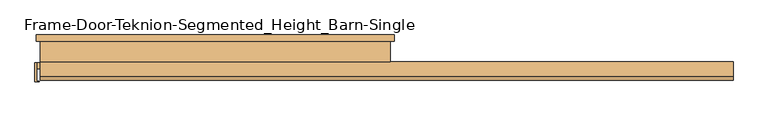
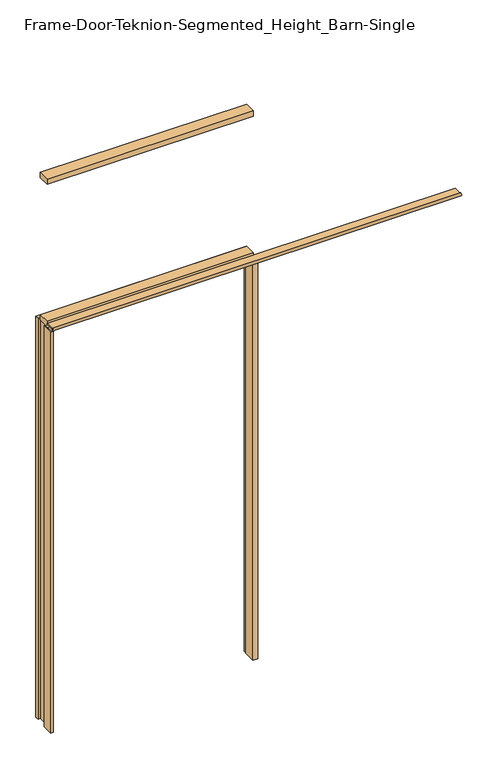
"""IFC4 building model written with IfcOpenShell, lengths in millimetres: door geometry, Frame-Door-Teknion-Segmented_Height_Barn-Single."""

from ifc_helpers import new_model, si_unit, point, frame, frame_2d, origin, origin_with_axes, place, context, project, spatial, polyline, circle_curve, ellipse_curve, trimmed, segment, composite_curve, outline, extrude, source, transform, mapped, element, save
from ifc_brep_helpers import plane_surface, cylinder_surface, advanced_brep


def frame_door_teknion_segmented_height_barn_single_50550370(model_context):
    return source(origin(), model_context, "Body", "SolidModel", [
        extrude(outline(polyline([(-534.933396, -32.3583761), (-530.2018277, -32.3583761), (-530.2018277, -86.5235242), (-521.4755703, -86.5235242), (-521.4755703, -88.3672512), (-534.933396, -88.3672512), (-534.933396, -32.3583761)])), origin_with_axes(), (0.0, 0.0, 1.0), 2133.3939997),
        advanced_brep(
        [(-522.4749516, 50.0254003, 0.0), (-504.6573558, 10.8510533, 0.0), (-504.6573558, -50.0254003, 0.0), (-530.2097562, -50.0254003, 0.0), (-530.2097562, -31.6863997, 0.0), (-518.4749562, -31.6863997, 0.0), (-518.4749562, 30.7214003, 0.0), (-530.2351562, 30.7214003, 0.0), (-530.2351562, 50.0254003, 0.0), (-522.4749516, 50.0254003, 2125.659195), (-504.6573558, 10.8510533, 2107.8415993), (-504.6573558, -50.0254003, 2107.8415993), (504.6573558, -50.0254003, 2107.8415993), (504.6573558, -50.0254003, 0.0), (530.2097562, -50.0254003, 0.0), (530.2097562, -50.0254003, 2133.3939997), (-530.2097562, -50.0254003, 2133.3939997), (-530.2097562, -31.6863997, 2133.3939997), (530.2097562, -31.6863997, 2133.3939997), (530.2097562, -31.6863997, 0.0), (518.4749562, -31.6863997, 0.0), (518.4749562, -31.6863997, 2121.6591997), (-518.4749562, -31.6863997, 2121.6591997), (-518.4749562, 30.7214003, 2121.6591997), (518.4749562, 30.7214003, 2121.6591997), (518.4749562, 30.7214003, 0.0), (530.2351562, 30.7214003, 0.0), (530.2351562, 30.7214003, 2133.4193997), (-530.2351562, 30.7214003, 2133.4193997), (-530.2351562, 50.0254003, 2133.4193997), (530.2351562, 50.0254003, 2133.4193997), (530.2351562, 50.0254003, 0.0), (522.4749516, 50.0254003, 0.0), (522.4749516, 50.0254003, 2125.659195), (504.6573558, 10.8510533, 2107.8415993), (504.6573558, 10.8510533, 0.0)],
        [
            (0, 1, circle_curve(frame((-556.6311521, 10.8510533, 0.0), z_axis=(0.0, 0.0, -1.0), x_axis=(-1.0, 0.0, 0.0)), 51.9737963)),
            (1, 2),
            (2, 3),
            (3, 4),
            (4, 5),
            (5, 6),
            (6, 7),
            (7, 8),
            (8, 0),
            (0, 9),
            (9, 10, ellipse_curve(frame((-556.6311521, 10.8510533, 2159.8153955), z_axis=(-0.7071067811865475, 0.0, -0.7071067811865475), x_axis=(0.7071067811865474, 0.0, -0.7071067811865476)), 73.5020475, 51.9737963)),
            (10, 1),
            (10, 11),
            (11, 2),
            (11, 12),
            (12, 13),
            (13, 14),
            (14, 15),
            (15, 16),
            (16, 3),
            (16, 17),
            (17, 4),
            (17, 18),
            (18, 19),
            (19, 20),
            (20, 21),
            (21, 22),
            (22, 5),
            (22, 23),
            (23, 6),
            (23, 24),
            (24, 25),
            (25, 26),
            (26, 27),
            (27, 28),
            (28, 7),
            (28, 29),
            (29, 8),
            (29, 30),
            (30, 31),
            (31, 32),
            (32, 33),
            (33, 9),
            (12, 34),
            (34, 35),
            (35, 13),
            (34, 33, ellipse_curve(frame((556.6311521, 10.8510533, 2159.8153955), z_axis=(0.7071067811865475, 0.0, -0.7071067811865475), x_axis=(0.7071067811865474, 0.0, 0.7071067811865476)), 73.5020475, 51.9737963)),
            (32, 35, circle_curve(frame((556.6311521, 10.8510533, 0.0), z_axis=(0.0, 0.0, 1.0), x_axis=(1.0, 0.0, 0.0)), 51.9737963)),
            (31, 26),
            (25, 20),
            (19, 14),
            (18, 15),
            (24, 21),
            (30, 27),
            (10, 34),
        ],
        [
            plane_surface(frame((-519.4101562, 0.0, 0.0), z_axis=(0.0, 0.0, -1.0), x_axis=(0.0, -1.0, 0.0))),
            cylinder_surface(frame((-556.6311521, 10.8510533, 0.0), z_axis=(0.0, 0.0, -1.0), x_axis=(-1.0, 0.0, 0.0)), 51.9737963),
            plane_surface(frame((-504.6573558, 10.8510533, 0.0), z_axis=(1.0, 0.0, 0.0), x_axis=(0.0, 0.0, 1.0))),
            plane_surface(frame((-504.6573558, -50.0254003, 0.0), z_axis=(0.0, -1.0, 0.0), x_axis=(0.0, 0.0, 1.0))),
            plane_surface(frame((-530.2097562, -50.0254003, 0.0), z_axis=(-1.0, 0.0, 0.0), x_axis=(0.0, 0.0, 1.0))),
            plane_surface(frame((-530.2097562, -31.6863997, 0.0), z_axis=(0.0, 1.0, 0.0), x_axis=(0.0, 0.0, 1.0))),
            plane_surface(frame((-518.4749562, -31.6863997, 0.0), z_axis=(-1.0, 0.0, 0.0), x_axis=(0.0, 0.0, 1.0))),
            plane_surface(frame((-518.4749562, 30.7214003, 0.0), z_axis=(0.0, -1.0, 0.0), x_axis=(0.0, 0.0, 1.0))),
            plane_surface(frame((-530.2351562, 30.7214003, 0.0), z_axis=(-1.0, 0.0, 0.0), x_axis=(0.0, 0.0, 1.0))),
            plane_surface(frame((-530.2351562, 50.0254003, 0.0), z_axis=(0.0, 1.0, 0.0), x_axis=(0.0, 0.0, 1.0))),
            plane_surface(frame((504.6573558, 10.8510533, 2107.8415993), z_axis=(-1.0, 0.0, 0.0), x_axis=(0.0, 0.0, -1.0))),
            cylinder_surface(frame((556.6311521, 10.8510533, 2122.5943997), z_axis=(0.0, 0.0, 1.0), x_axis=(1.0, 0.0, 0.0)), 51.9737963),
            plane_surface(frame((519.4101563, 0.0, 0.0), z_axis=(0.0, 0.0, -1.0), x_axis=(0.0, -1.0, 0.0))),
            plane_surface(frame((530.2097562, -50.0254003, 2133.3939997), z_axis=(1.0, 0.0, 0.0), x_axis=(0.0, 0.0, -1.0))),
            plane_surface(frame((518.4749562, -31.6863997, 2121.6591997), z_axis=(1.0, 0.0, 0.0), x_axis=(0.0, 0.0, -1.0))),
            plane_surface(frame((530.2351562, 30.7214003, 2133.4193997), z_axis=(1.0, 0.0, 0.0), x_axis=(0.0, 0.0, -1.0))),
            plane_surface(frame((-504.6573558, 10.8510533, 2107.8415993), z_axis=(0.0, 0.0, -1.0), x_axis=(1.0, 0.0, 0.0))),
            plane_surface(frame((-530.2097562, -50.0254003, 2133.3939997), z_axis=(0.0, 0.0, 1.0), x_axis=(1.0, 0.0, 0.0))),
            plane_surface(frame((-518.4749562, -31.6863997, 2121.6591997), z_axis=(0.0, 0.0, 1.0), x_axis=(1.0, 0.0, 0.0))),
            plane_surface(frame((-530.2351562, 30.7214003, 2133.4193997), z_axis=(0.0, 0.0, 1.0), x_axis=(1.0, 0.0, 0.0))),
            cylinder_surface(frame((-519.4101562, 10.8510533, 2159.8153955), z_axis=(-1.0, 0.0, 0.0), x_axis=(0.0, 0.0, 1.0)), 51.9737963),
        ],
        [
            (0, [[1, 2, 3, 4, 5, 6, 7, 8, 9]]),
            (1, [[-1, 10, 11, 12]]),
            (2, [[-2, -12, 13, 14]]),
            (3, [[-3, -14, 15, 16, 17, 18, 19, 20]]),
            (4, [[-4, -20, 21, 22]]),
            (5, [[-5, -22, 23, 24, 25, 26, 27, 28]]),
            (6, [[-6, -28, 29, 30]]),
            (7, [[-7, -30, 31, 32, 33, 34, 35, 36]]),
            (8, [[-8, -36, 37, 38]]),
            (9, [[-9, -38, 39, 40, 41, 42, 43, -10]]),
            (10, [[44, 45, 46, -16]]),
            (11, [[47, -42, 48, -45]]),
            (12, [[-41, 49, -33, 50, -25, 51, -17, -46, -48]]),
            (13, [[52, -18, -51, -24]]),
            (14, [[53, -26, -50, -32]]),
            (15, [[54, -34, -49, -40]]),
            (16, [[-13, 55, -44, -15]]),
            (17, [[-21, -19, -52, -23]]),
            (18, [[-29, -27, -53, -31]]),
            (19, [[-37, -35, -54, -39]]),
            (20, [[-11, -43, -47, -55]]),
        ],
    ),
        extrude(outline(polyline([(519.4101563, 29.2227), (519.4101563, -29.2227), (-519.4101562, -29.2227), (-519.4101562, 29.2227), (519.4101563, 29.2227)])), frame((0.0, 0.0, 2879.6996), z_axis=(0.0, 0.0, 1.0), x_axis=(1.0, 0.0, 0.0)), (0.0, 0.0, 1.0), 27.9908),
        extrude(outline(composite_curve([segment(polyline([(-72.4186962, 2139.315), (-29.2073222, 2139.315), (-29.2073222, 2134.235), (-72.4186962, 2134.235)]), True, "CONTINUOUS"), segment(trimmed(circle_curve(frame_2d((-78.2385673, 2136.775)), 6.35), [point((-72.4186962, 2134.235))], [point((-72.4186962, 2139.315))], False, "CARTESIAN"), True, "CONTINUOUS")], self_intersect=False)), frame((-519.4101562, 0.0, 0.0), z_axis=(1.0, 0.0, 0.0), x_axis=(0.0, 1.0, 0.0)), (0.0, 0.0, 1.0), 2054.8203125),
        extrude(outline(polyline([(-519.4101562, -29.2199219), (-519.4101562, 29.2199219), (519.4101563, 29.2199219), (519.4101563, -29.2199219), (-519.4101562, -29.2199219)])), frame((0.0, 0.0, 2122.7851563), z_axis=(0.0, 0.0, 1.0), x_axis=(1.0, 0.0, 0.0)), (0.0, 0.0, 1.0), 27.9796875),
    ])


if __name__ == "__main__":
    model = new_model("IFC4")
    model_context = context("Model", 3, world=origin())
    ifc_project = project(units=[si_unit("LENGTHUNIT", "METRE", prefix="MILLI")], contexts=[model_context])
    site = spatial("IfcSite", under=ifc_project)
    building = spatial("IfcBuilding", under=site)
    placement = place(None, origin())
    frame_door_teknion_segmented_height_barn_single_shape = frame_door_teknion_segmented_height_barn_single_50550370(model_context)
    element("IfcDoor", 1, ObjectType="Frame-Door-Teknion-Segmented_Height_Barn-Single", at=placement, inside=building, context=model_context, shape_type="MappedRepresentation", body=[
        mapped(frame_door_teknion_segmented_height_barn_single_shape, transform((0.0, 0.0, 0.0), x_axis=(1.0, 0.0, 0.0), y_axis=(0.0, 1.0, 0.0), z_axis=(0.0, 0.0, 1.0))),
    ])
    save(model, "model.ifc")
